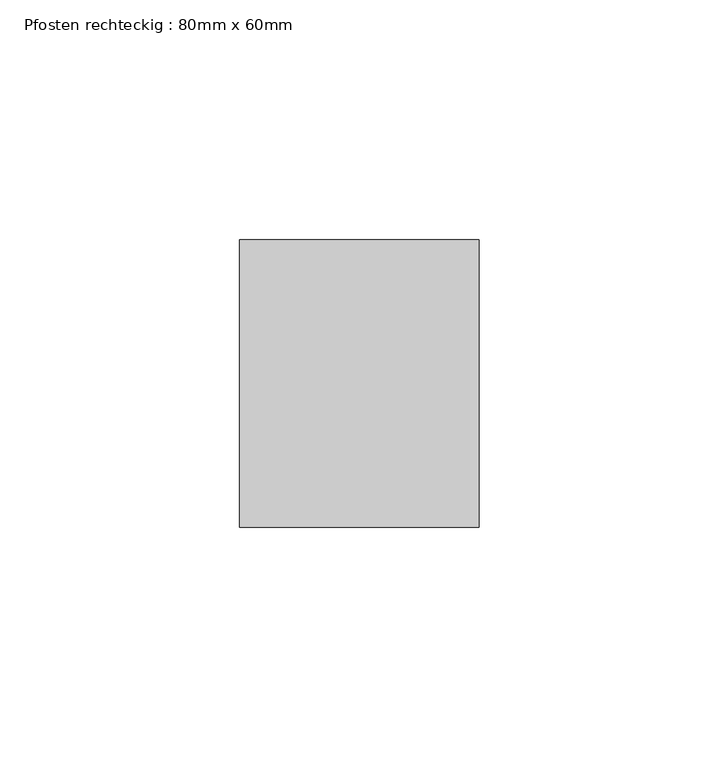
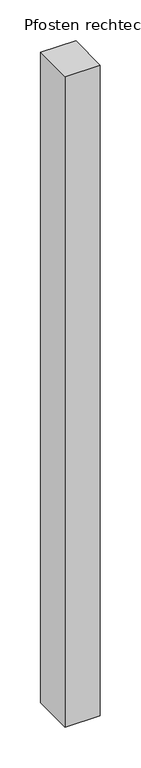
"""IFC4 building model written with IfcOpenShell, lengths in millimetres: member geometry, Pfosten rechteckig : 80mm x 60mm."""

from ifc_helpers import new_model, si_unit, frame, origin, place, context, project, spatial, polyline, outline, extrude, source, transform, mapped, element, save


def pfosten_rechteckig_80mm_x_60mm_e11a93ab(model_context):
    return source(origin(), model_context, "Body", "SweptSolid", [
        extrude(outline(polyline([(0.0, 30.0), (0.0, -30.0), (-50.0, -30.0), (-50.0, 30.0), (0.0, 30.0)])), frame((0.0, 0.0, -975.0), z_axis=(0.0, 0.0, 1.0), x_axis=(1.0, 0.0, 0.0)), (0.0, 0.0, 1.0), 975.0),
    ])


if __name__ == "__main__":
    model = new_model("IFC4")
    model_context = context("Model", 3, world=origin())
    ifc_project = project(units=[si_unit("LENGTHUNIT", "METRE", prefix="MILLI")], contexts=[model_context])
    site = spatial("IfcSite", under=ifc_project)
    building = spatial("IfcBuilding", under=site)
    placement = place(None, origin())
    pfosten_rechteckig_80mm_x_60mm_shape = pfosten_rechteckig_80mm_x_60mm_e11a93ab(model_context)
    element("IfcMember", 1, ObjectType="Pfosten rechteckig : 80mm x 60mm", at=placement, inside=building, context=model_context, shape_type="MappedRepresentation", body=[
        mapped(pfosten_rechteckig_80mm_x_60mm_shape, transform((0.0, 0.0, 0.0), x_axis=(1.0, 0.0, 0.0), y_axis=(0.0, 1.0, 0.0), z_axis=(0.0, 0.0, 1.0))),
    ])
    save(model, "model.ifc")
